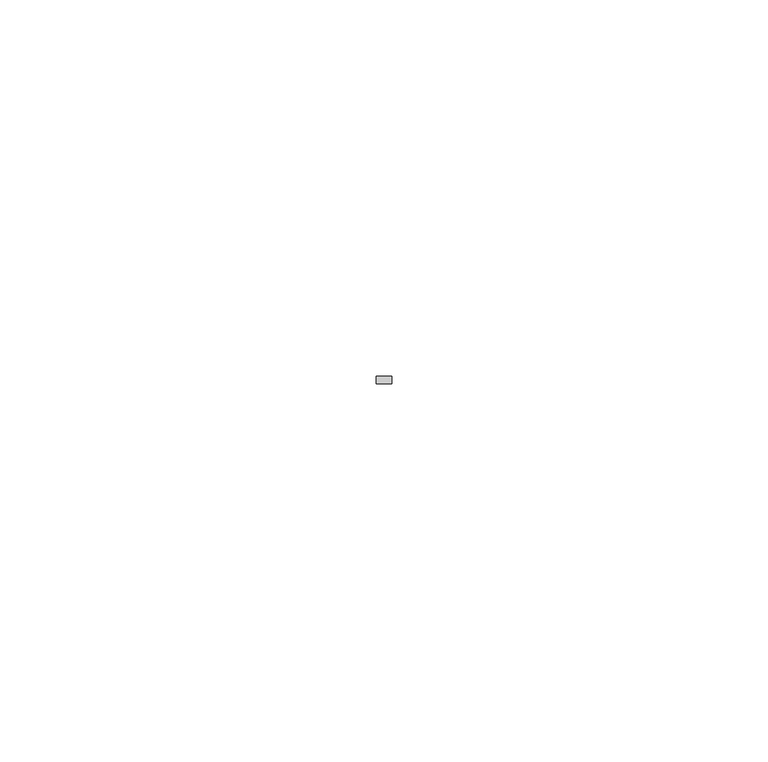
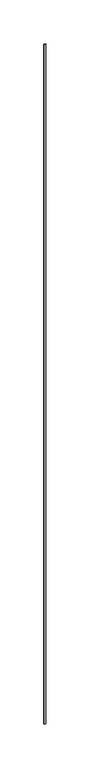
"""IFC4 building model written with IfcOpenShell, lengths in millimetres: member geometry."""

import ifcopenshell
import ifcopenshell.guid

model = None  # the IFC model being written
_history = None  # IfcOwnerHistory: only IFC2X3 demands one
_inside = {}  # id of a spatial element -> (the spatial element, [elements in it])
_under = {}  # id of a project, library or spatial element -> (it, [spatial elements below it])
_declared = {}  # id of a project -> (the project, [libraries it declares])
_typed = {}  # id of a type object -> (the type object, [elements of that type])
_made_of = {}  # id of a material, layer set ... -> (it, [elements and type objects made of it])


def new_model(schema):
    """Start an empty IFC model of exactly this schema.

    Asked for "IFC4X3", IfcOpenShell would pick the latest addendum, in which some entities
    have other attributes; the version numbers below select the first issue.
    IFC2X3 requires an IfcOwnerHistory on every rooted entity: one is made here for all.
    """
    global model, _history
    if schema == "IFC4X3":
        model = ifcopenshell.file(schema_version=(4, 3, 0, 0))
    else:
        model = ifcopenshell.file(schema=schema)
    _inside.clear()
    _under.clear()
    _declared.clear()
    _typed.clear()
    _made_of.clear()
    _history = None
    if model.schema == "IFC2X3":
        org = make("IfcOrganization", Name="unknown")
        user = make(
            "IfcPersonAndOrganization",
            ThePerson=make("IfcPerson", FamilyName="unknown"),
            TheOrganization=org,
        )
        app = make(
            "IfcApplication",
            ApplicationDeveloper=org,
            Version="unknown",
            ApplicationFullName="unknown",
            ApplicationIdentifier="unknown",
        )
        _history = make(
            "IfcOwnerHistory",
            OwningUser=user,
            OwningApplication=app,
            ChangeAction="ADDED",
            CreationDate=0,
        )
    return model


def make(cls, **values):
    """One entity of the class cls with the attributes given. An attribute that is None is left unset."""
    return model.create_entity(
        cls, **{name: value for name, value in values.items() if value is not None}
    )


def rooted(cls, **values):
    """An entity with a GlobalId (a new one), such as an element, a storey or a relation."""
    return make(cls, GlobalId=ifcopenshell.guid.new(), OwnerHistory=_history, **values)


def si_unit(unit_type, name, prefix=None):
    """IfcSIUnit, for example si_unit("LENGTHUNIT", "METRE", prefix="MILLI")."""
    return make("IfcSIUnit", UnitType=unit_type, Prefix=prefix, Name=name)


def assignment(units):
    """IfcUnitAssignment: the units of a project."""
    return None if units is None else make("IfcUnitAssignment", Units=units)


def point(xyz):
    """IfcCartesianPoint."""
    return None if xyz is None else make("IfcCartesianPoint", Coordinates=xyz)


def direction(xyz):
    """IfcDirection."""
    return None if xyz is None else make("IfcDirection", DirectionRatios=xyz)


def frame(location, z_axis=None, x_axis=None):
    """IfcAxis2Placement3D, a coordinate frame: its origin and axes. An axis left out is left unset."""
    return make(
        "IfcAxis2Placement3D",
        Location=point(location),
        Axis=direction(z_axis),
        RefDirection=direction(x_axis),
    )


def origin():
    """The frame at (0, 0, 0) with its axes left unset."""
    return frame((0.0, 0.0, 0.0))


def place(relative_to, where):
    """IfcLocalPlacement: puts the frame where relative to a parent placement (None: the world)."""
    return make(
        "IfcLocalPlacement", PlacementRelTo=relative_to, RelativePlacement=where
    )


def context(
    kind, dimensions, precision=None, world=None, true_north=None, identifier=None
):
    """IfcGeometricRepresentationContext, for example the 3D "Model" context."""
    return make(
        "IfcGeometricRepresentationContext",
        ContextIdentifier=identifier,
        ContextType=kind,
        CoordinateSpaceDimension=dimensions,
        Precision=precision,
        WorldCoordinateSystem=world,
        TrueNorth=true_north,
    )


def project(units=None, contexts=None):
    """IfcProject with its units and contexts."""
    return rooted(
        "IfcProject",
        Name="project",
        RepresentationContexts=contexts,
        UnitsInContext=assignment(units),
    )


def spatial(cls, under=None, at=None, **own):
    """A site, building, storey or space (cls), placed at a placement, below another one or the project."""
    s = rooted(cls, ObjectPlacement=at, **own)
    if under is not None:
        _under.setdefault(under.id(), (under, []))[1].append(s)
    return s


def polyline(points):
    """IfcPolyline through the points."""
    return make("IfcPolyline", Points=[point(p) for p in points])


def outline(outer, holes=None, kind="AREA"):
    """IfcArbitraryClosedProfileDef: a profile drawn as a closed curve; with holes, ...WithVoids."""
    if holes is None:
        return make("IfcArbitraryClosedProfileDef", ProfileType=kind, OuterCurve=outer)
    return make(
        "IfcArbitraryProfileDefWithVoids",
        ProfileType=kind,
        OuterCurve=outer,
        InnerCurves=holes,
    )


def extrude(swept, where, along, depth):
    """IfcExtrudedAreaSolid: the profile swept, set in the frame where, extruded along a direction by depth."""
    return make(
        "IfcExtrudedAreaSolid",
        SweptArea=swept,
        Position=where,
        ExtrudedDirection=direction(along),
        Depth=depth,
    )


def shape(context_of_items, identifier, shape_type, items):
    """IfcShapeRepresentation: the items that make up one representation, for example the "Body"."""
    return make(
        "IfcShapeRepresentation",
        ContextOfItems=context_of_items,
        RepresentationIdentifier=identifier,
        RepresentationType=shape_type,
        Items=items,
    )


def source(mapping_origin, context_of_items, identifier, shape_type, items):
    """IfcRepresentationMap: a shape defined once, which mapped items show again and again."""
    return make(
        "IfcRepresentationMap",
        MappingOrigin=mapping_origin,
        MappedRepresentation=shape(context_of_items, identifier, shape_type, items),
    )


def transform(
    local_origin,
    x_axis=None,
    y_axis=None,
    z_axis=None,
    scale=None,
    scale2=None,
    scale3=None,
    uniform=True,
):
    """IfcCartesianTransformationOperator3D, or its non-uniform kind. x_axis, y_axis, z_axis: its Axis1, 2, 3."""
    if uniform:
        return make(
            "IfcCartesianTransformationOperator3D",
            Axis1=direction(x_axis),
            Axis2=direction(y_axis),
            LocalOrigin=point(local_origin),
            Scale=scale,
            Axis3=direction(z_axis),
        )
    return make(
        "IfcCartesianTransformationOperator3DnonUniform",
        Axis1=direction(x_axis),
        Axis2=direction(y_axis),
        LocalOrigin=point(local_origin),
        Scale=scale,
        Axis3=direction(z_axis),
        Scale2=scale2,
        Scale3=scale3,
    )


def mapped(mapping_source, mapping_target):
    """IfcMappedItem: shows the shape of a source again, moved by a transform."""
    return make(
        "IfcMappedItem", MappingSource=mapping_source, MappingTarget=mapping_target
    )


def made_of(thing, what):
    """Note that an element or type object is made of a material, layer set ...; save() writes the relation."""
    if what is not None:
        _made_of.setdefault(what.id(), (what, []))[1].append(thing)
    return thing


def element(
    cls,
    number,
    at=None,
    inside=None,
    cuts=None,
    type_object=None,
    material=None,
    context=None,
    identifier="Body",
    shape_type=None,
    held_by="IfcProductDefinitionShape",
    body=None,
    shapes=None,
    **own,
):
    """One element of the class cls, such as IfcWall. Its Tag is "e" and its number.

    at: its placement. inside: the storey or other place that contains it. cuts: it is an
    opening in that element (IfcRelVoidsElement). A single representation is given by context,
    identifier, shape_type and body (its items); several are given by shapes. held_by: the class
    of the entity that holds the representations. save() writes the other relations.
    """
    e = rooted(cls, Tag="e%d" % number, ObjectPlacement=at, **own)
    if body is not None:
        shapes = [shape(context, identifier, shape_type, body)]
    if shapes is not None:
        e.Representation = make(held_by, Representations=shapes)
    if inside is not None:
        _inside.setdefault(inside.id(), (inside, []))[1].append(e)
    if cuts is not None:
        rooted(
            "IfcRelVoidsElement", RelatingBuildingElement=cuts, RelatedOpeningElement=e
        )
    if type_object is not None:
        _typed.setdefault(type_object.id(), (type_object, []))[1].append(e)
    return made_of(e, material)


def aggregate(whole, parts):
    """IfcRelAggregates: a whole, such as a stair, and the parts it consists of."""
    return rooted("IfcRelAggregates", RelatingObject=whole, RelatedObjects=parts)


def save(model, path):
    """Write the relations noted so far, then the file.

    IfcRelAggregates (storeys below a building ...), IfcRelContainedInSpatialStructure (elements
    in a storey), IfcRelDefinesByType, IfcRelAssociatesMaterial and IfcRelDeclares: one each for
    every whole, place, type object, material and project.
    """
    for whole, parts in _under.values():
        aggregate(whole, parts)
    for where, things in _inside.values():
        rooted(
            "IfcRelContainedInSpatialStructure",
            RelatedElements=things,
            RelatingStructure=where,
        )
    for kind, things in _typed.values():
        rooted("IfcRelDefinesByType", RelatedObjects=things, RelatingType=kind)
    for what, things in _made_of.values():
        rooted("IfcRelAssociatesMaterial", RelatedObjects=things, RelatingMaterial=what)
    for by, libraries in _declared.values():
        rooted("IfcRelDeclares", RelatingContext=by, RelatedDefinitions=libraries)
    model.write(path)


def member_a40b580a(model_context):
    return source(origin(), model_context, "Body", "SweptSolid", [
        extrude(outline(polyline([(1.0, 7.0), (1.0, 6.0), (-1.0, 6.0), (-1.0, 7.0), (1.0, 7.0)])), frame((0.0, 0.0, -942.5), z_axis=(0.0, 0.0, 1.0), x_axis=(1.0, 0.0, 0.0)), (0.0, 0.0, 1.0), 942.5),
    ])


if __name__ == "__main__":
    model = new_model("IFC4")
    model_context = context("Model", 3, world=origin())
    ifc_project = project(units=[si_unit("LENGTHUNIT", "METRE", prefix="MILLI")], contexts=[model_context])
    site = spatial("IfcSite", under=ifc_project)
    building = spatial("IfcBuilding", under=site)
    placement = place(None, origin())
    member_shape = member_a40b580a(model_context)
    element("IfcMember", 1, at=placement, inside=building, context=model_context, shape_type="MappedRepresentation", body=[
        mapped(member_shape, transform((0.0, 0.0, 0.0), x_axis=(1.0, 0.0, 0.0), y_axis=(0.0, 1.0, 0.0), z_axis=(0.0, 0.0, 1.0))),
    ])
    save(model, "model.ifc")
